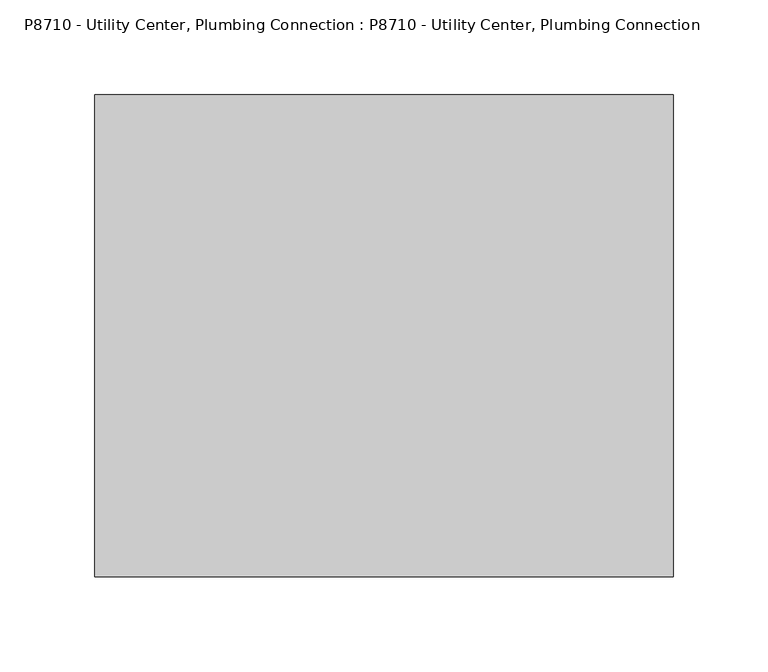
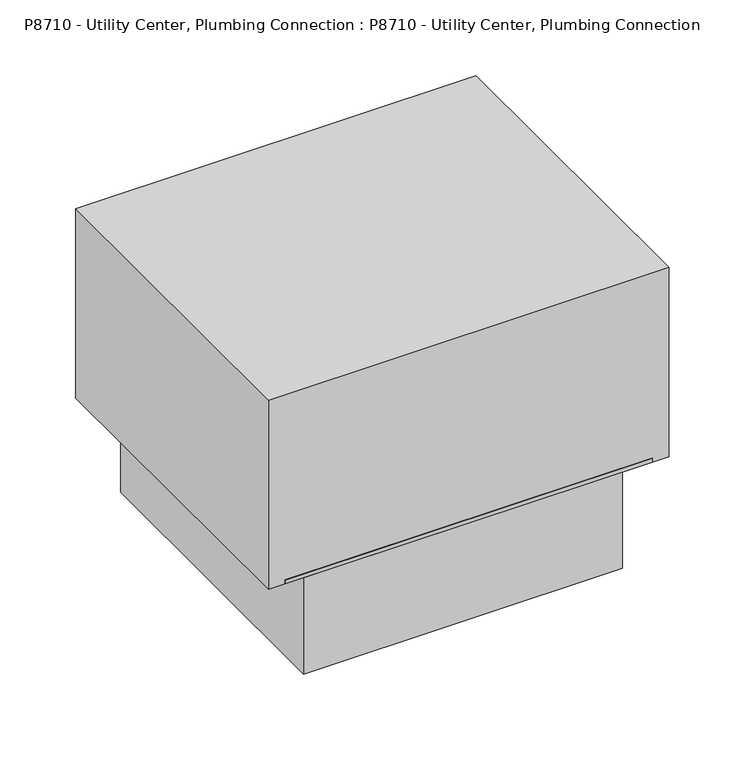
"""IFC4 building model written with IfcOpenShell, lengths in millimetres: proxy geometry, P8710 - Utility Center, Plumbing Connection : P8710 - Utility Center, Plumbing Connection."""

import ifcopenshell
import ifcopenshell.guid

model = None  # the IFC model being written
_history = None  # IfcOwnerHistory: only IFC2X3 demands one
_inside = {}  # id of a spatial element -> (the spatial element, [elements in it])
_under = {}  # id of a project, library or spatial element -> (it, [spatial elements below it])
_declared = {}  # id of a project -> (the project, [libraries it declares])
_typed = {}  # id of a type object -> (the type object, [elements of that type])
_made_of = {}  # id of a material, layer set ... -> (it, [elements and type objects made of it])


def new_model(schema):
    """Start an empty IFC model of exactly this schema.

    Asked for "IFC4X3", IfcOpenShell would pick the latest addendum, in which some entities
    have other attributes; the version numbers below select the first issue.
    IFC2X3 requires an IfcOwnerHistory on every rooted entity: one is made here for all.
    """
    global model, _history
    if schema == "IFC4X3":
        model = ifcopenshell.file(schema_version=(4, 3, 0, 0))
    else:
        model = ifcopenshell.file(schema=schema)
    _inside.clear()
    _under.clear()
    _declared.clear()
    _typed.clear()
    _made_of.clear()
    _history = None
    if model.schema == "IFC2X3":
        org = make("IfcOrganization", Name="unknown")
        user = make(
            "IfcPersonAndOrganization",
            ThePerson=make("IfcPerson", FamilyName="unknown"),
            TheOrganization=org,
        )
        app = make(
            "IfcApplication",
            ApplicationDeveloper=org,
            Version="unknown",
            ApplicationFullName="unknown",
            ApplicationIdentifier="unknown",
        )
        _history = make(
            "IfcOwnerHistory",
            OwningUser=user,
            OwningApplication=app,
            ChangeAction="ADDED",
            CreationDate=0,
        )
    return model


def make(cls, **values):
    """One entity of the class cls with the attributes given. An attribute that is None is left unset."""
    return model.create_entity(
        cls, **{name: value for name, value in values.items() if value is not None}
    )


def rooted(cls, **values):
    """An entity with a GlobalId (a new one), such as an element, a storey or a relation."""
    return make(cls, GlobalId=ifcopenshell.guid.new(), OwnerHistory=_history, **values)


def si_unit(unit_type, name, prefix=None):
    """IfcSIUnit, for example si_unit("LENGTHUNIT", "METRE", prefix="MILLI")."""
    return make("IfcSIUnit", UnitType=unit_type, Prefix=prefix, Name=name)


def assignment(units):
    """IfcUnitAssignment: the units of a project."""
    return None if units is None else make("IfcUnitAssignment", Units=units)


def point(xyz):
    """IfcCartesianPoint."""
    return None if xyz is None else make("IfcCartesianPoint", Coordinates=xyz)


def direction(xyz):
    """IfcDirection."""
    return None if xyz is None else make("IfcDirection", DirectionRatios=xyz)


def frame(location, z_axis=None, x_axis=None):
    """IfcAxis2Placement3D, a coordinate frame: its origin and axes. An axis left out is left unset."""
    return make(
        "IfcAxis2Placement3D",
        Location=point(location),
        Axis=direction(z_axis),
        RefDirection=direction(x_axis),
    )


def origin():
    """The frame at (0, 0, 0) with its axes left unset."""
    return frame((0.0, 0.0, 0.0))


def origin_with_axes():
    """The frame at (0, 0, 0) with the z axis (0, 0, 1) and the x axis (1, 0, 0) written out."""
    return frame((0.0, 0.0, 0.0), z_axis=(0.0, 0.0, 1.0), x_axis=(1.0, 0.0, 0.0))


def place(relative_to, where):
    """IfcLocalPlacement: puts the frame where relative to a parent placement (None: the world)."""
    return make(
        "IfcLocalPlacement", PlacementRelTo=relative_to, RelativePlacement=where
    )


def context(
    kind, dimensions, precision=None, world=None, true_north=None, identifier=None
):
    """IfcGeometricRepresentationContext, for example the 3D "Model" context."""
    return make(
        "IfcGeometricRepresentationContext",
        ContextIdentifier=identifier,
        ContextType=kind,
        CoordinateSpaceDimension=dimensions,
        Precision=precision,
        WorldCoordinateSystem=world,
        TrueNorth=true_north,
    )


def project(units=None, contexts=None):
    """IfcProject with its units and contexts."""
    return rooted(
        "IfcProject",
        Name="project",
        RepresentationContexts=contexts,
        UnitsInContext=assignment(units),
    )


def spatial(cls, under=None, at=None, **own):
    """A site, building, storey or space (cls), placed at a placement, below another one or the project."""
    s = rooted(cls, ObjectPlacement=at, **own)
    if under is not None:
        _under.setdefault(under.id(), (under, []))[1].append(s)
    return s


def polyline(points):
    """IfcPolyline through the points."""
    return make("IfcPolyline", Points=[point(p) for p in points])


def outline(outer, holes=None, kind="AREA"):
    """IfcArbitraryClosedProfileDef: a profile drawn as a closed curve; with holes, ...WithVoids."""
    if holes is None:
        return make("IfcArbitraryClosedProfileDef", ProfileType=kind, OuterCurve=outer)
    return make(
        "IfcArbitraryProfileDefWithVoids",
        ProfileType=kind,
        OuterCurve=outer,
        InnerCurves=holes,
    )


def extrude(swept, where, along, depth):
    """IfcExtrudedAreaSolid: the profile swept, set in the frame where, extruded along a direction by depth."""
    return make(
        "IfcExtrudedAreaSolid",
        SweptArea=swept,
        Position=where,
        ExtrudedDirection=direction(along),
        Depth=depth,
    )


def faces_of(points, faces, orient=None, outer=None):
    """IfcFace entities. A face is a list of loops; a loop is a list of indices into points, from 0.

    orient and outer hold one flag for each loop. By default every Orientation is true, the
    first loop of a face is its IfcFaceOuterBound and the others are IfcFaceBound.
    """
    made = []
    for i, loops in enumerate(faces):
        bounds = []
        for j, loop in enumerate(loops):
            is_outer = j == 0 if outer is None else outer[i][j]
            bounds.append(
                make(
                    "IfcFaceOuterBound" if is_outer else "IfcFaceBound",
                    Bound=make("IfcPolyLoop", Polygon=[points[k] for k in loop]),
                    Orientation=True if orient is None else orient[i][j],
                )
            )
        made.append(make("IfcFace", Bounds=bounds))
    return made


def faceted_brep(points, faces, orient=None, outer=None, voids=None):
    """IfcFacetedBrep: a solid bounded by flat faces; with voids (closed shells), ...WithVoids."""
    shared = [point(p) for p in points]
    hull = make("IfcClosedShell", CfsFaces=faces_of(shared, faces, orient, outer))
    if voids is None:
        return make("IfcFacetedBrep", Outer=hull)
    return make(
        "IfcFacetedBrepWithVoids",
        Outer=hull,
        Voids=[
            make(cls, CfsFaces=faces_of(shared, fs, o, b)) for cls, fs, o, b in voids
        ],
    )


def shape(context_of_items, identifier, shape_type, items):
    """IfcShapeRepresentation: the items that make up one representation, for example the "Body"."""
    return make(
        "IfcShapeRepresentation",
        ContextOfItems=context_of_items,
        RepresentationIdentifier=identifier,
        RepresentationType=shape_type,
        Items=items,
    )


def source(mapping_origin, context_of_items, identifier, shape_type, items):
    """IfcRepresentationMap: a shape defined once, which mapped items show again and again."""
    return make(
        "IfcRepresentationMap",
        MappingOrigin=mapping_origin,
        MappedRepresentation=shape(context_of_items, identifier, shape_type, items),
    )


def transform(
    local_origin,
    x_axis=None,
    y_axis=None,
    z_axis=None,
    scale=None,
    scale2=None,
    scale3=None,
    uniform=True,
):
    """IfcCartesianTransformationOperator3D, or its non-uniform kind. x_axis, y_axis, z_axis: its Axis1, 2, 3."""
    if uniform:
        return make(
            "IfcCartesianTransformationOperator3D",
            Axis1=direction(x_axis),
            Axis2=direction(y_axis),
            LocalOrigin=point(local_origin),
            Scale=scale,
            Axis3=direction(z_axis),
        )
    return make(
        "IfcCartesianTransformationOperator3DnonUniform",
        Axis1=direction(x_axis),
        Axis2=direction(y_axis),
        LocalOrigin=point(local_origin),
        Scale=scale,
        Axis3=direction(z_axis),
        Scale2=scale2,
        Scale3=scale3,
    )


def mapped(mapping_source, mapping_target):
    """IfcMappedItem: shows the shape of a source again, moved by a transform."""
    return make(
        "IfcMappedItem", MappingSource=mapping_source, MappingTarget=mapping_target
    )


def made_of(thing, what):
    """Note that an element or type object is made of a material, layer set ...; save() writes the relation."""
    if what is not None:
        _made_of.setdefault(what.id(), (what, []))[1].append(thing)
    return thing


def element(
    cls,
    number,
    at=None,
    inside=None,
    cuts=None,
    type_object=None,
    material=None,
    context=None,
    identifier="Body",
    shape_type=None,
    held_by="IfcProductDefinitionShape",
    body=None,
    shapes=None,
    **own,
):
    """One element of the class cls, such as IfcWall. Its Tag is "e" and its number.

    at: its placement. inside: the storey or other place that contains it. cuts: it is an
    opening in that element (IfcRelVoidsElement). A single representation is given by context,
    identifier, shape_type and body (its items); several are given by shapes. held_by: the class
    of the entity that holds the representations. save() writes the other relations.
    """
    e = rooted(cls, Tag="e%d" % number, ObjectPlacement=at, **own)
    if body is not None:
        shapes = [shape(context, identifier, shape_type, body)]
    if shapes is not None:
        e.Representation = make(held_by, Representations=shapes)
    if inside is not None:
        _inside.setdefault(inside.id(), (inside, []))[1].append(e)
    if cuts is not None:
        rooted(
            "IfcRelVoidsElement", RelatingBuildingElement=cuts, RelatedOpeningElement=e
        )
    if type_object is not None:
        _typed.setdefault(type_object.id(), (type_object, []))[1].append(e)
    return made_of(e, material)


def aggregate(whole, parts):
    """IfcRelAggregates: a whole, such as a stair, and the parts it consists of."""
    return rooted("IfcRelAggregates", RelatingObject=whole, RelatedObjects=parts)


def save(model, path):
    """Write the relations noted so far, then the file.

    IfcRelAggregates (storeys below a building ...), IfcRelContainedInSpatialStructure (elements
    in a storey), IfcRelDefinesByType, IfcRelAssociatesMaterial and IfcRelDeclares: one each for
    every whole, place, type object, material and project.
    """
    for whole, parts in _under.values():
        aggregate(whole, parts)
    for where, things in _inside.values():
        rooted(
            "IfcRelContainedInSpatialStructure",
            RelatedElements=things,
            RelatingStructure=where,
        )
    for kind, things in _typed.values():
        rooted("IfcRelDefinesByType", RelatedObjects=things, RelatingType=kind)
    for what, things in _made_of.values():
        rooted("IfcRelAssociatesMaterial", RelatedObjects=things, RelatingMaterial=what)
    for by, libraries in _declared.values():
        rooted("IfcRelDeclares", RelatingContext=by, RelatedDefinitions=libraries)
    model.write(path)


def p8710_utility_center_plumbing_connection_p8710_utility_0cc56990(model_context):
    return source(origin(), model_context, "Body", "SolidModel", [
        faceted_brep([(139.7, 127.0, 3.175), (-139.7, 127.0, 3.175), (-139.7, -127.0, 3.175), (139.7, -127.0, 3.175), (114.3, -101.6, 3.175), (-114.3, -101.6, 3.175), (-114.3, 101.9737484, 3.175), (114.3, 101.9737484, 3.175), (139.7, 127.0, 0.0), (139.7, -127.0, 0.0), (-139.7, -127.0, 0.0), (-139.7, 127.0, 0.0), (120.65, -120.65, 0.0), (120.65, 120.65, 0.0), (-122.0738096, 120.65, 0.0), (-122.0738096, -120.65, 0.0), (120.65, -120.65, -82.55), (120.65, 120.65, -82.55), (-122.0738096, 120.65, -82.55), (-122.0738096, -120.65, -82.55), (114.3, -101.6, -76.2), (-114.3, -101.6, -76.2), (-114.3, 101.9737484, -76.2), (114.3, 101.9737484, -76.2)], [[[0, 1, 2, 3], [4, 5, 6, 7]], [[8, 9, 10, 11], [12, 13, 14, 15]], [[1, 0, 8, 11]], [[2, 1, 11, 10]], [[3, 2, 10, 9]], [[0, 3, 9, 8]], [[12, 16, 17, 13]], [[14, 18, 19, 15]], [[16, 12, 15, 19]], [[17, 16, 19, 18]], [[13, 17, 18, 14]], [[4, 20, 21, 5]], [[6, 22, 23, 7]], [[5, 21, 22, 6]], [[21, 20, 23, 22]], [[20, 4, 7, 23]]]),
        extrude(outline(polyline([(152.4, 127.0), (152.4, -127.0), (-152.4, -127.0), (-152.4, 127.0), (152.4, 127.0)])), origin_with_axes(), (0.0, 0.0, 1.0), 152.4),
    ])


if __name__ == "__main__":
    model = new_model("IFC4")
    model_context = context("Model", 3, world=origin())
    ifc_project = project(units=[si_unit("LENGTHUNIT", "METRE", prefix="MILLI")], contexts=[model_context])
    site = spatial("IfcSite", under=ifc_project)
    building = spatial("IfcBuilding", under=site)
    placement = place(None, origin())
    p8710_utility_center_plumbing_connection_p8710_utility_shape = p8710_utility_center_plumbing_connection_p8710_utility_0cc56990(model_context)
    element("IfcBuildingElementProxy", 1, Name="P8710 - Utility Center, Plumbing Connection : P8710 - Utility Center, Plumbing Connection", ObjectType="P8710 - Utility Center, Plumbing Connection : P8710 - Utility Center, Plumbing Connection", at=placement, inside=building, context=model_context, shape_type="MappedRepresentation", body=[
        mapped(p8710_utility_center_plumbing_connection_p8710_utility_shape, transform((0.0, 0.0, 0.0), x_axis=(1.0, 0.0, 0.0), y_axis=(0.0, 1.0, 0.0), z_axis=(0.0, 0.0, 1.0))),
    ])
    save(model, "model.ifc")
